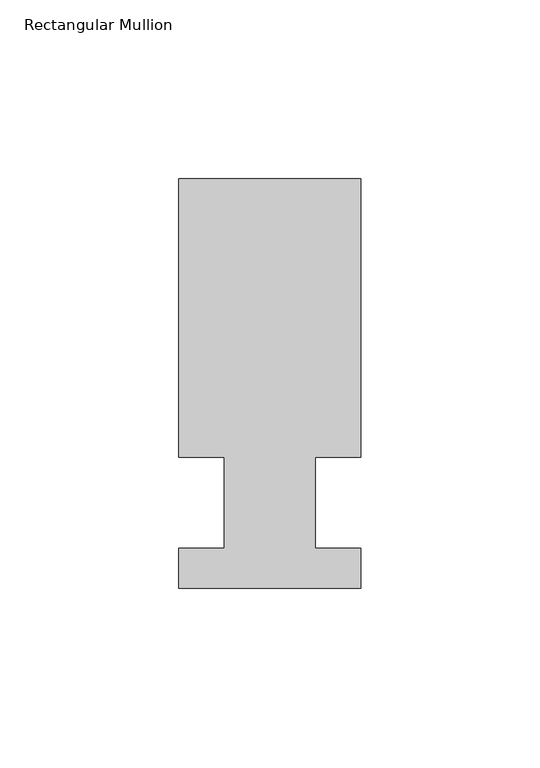
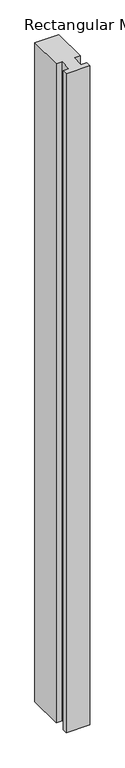
"""IFC4 building model written with IfcOpenShell, lengths in millimetres: member geometry, Rectangular Mullion."""

from ifc_helpers import new_model, si_unit, frame, origin, place, context, project, spatial, polyline, outline, extrude, source, transform, mapped, element, save


def rectangular_mullion_2fa33fcc(model_context):
    return source(origin(), model_context, "Body", "SweptSolid", [
        extrude(outline(polyline([(29.7344027, 90.4875), (29.7344027, 12.7), (17.0326322, 12.7), (17.0326322, -12.7), (29.7344027, -12.7), (29.7344027, -23.8125), (-21.0655973, -23.8125), (-21.0655973, -12.7), (-8.3655973, -12.7), (-8.3655973, 12.7), (-21.0655973, 12.7), (-21.0655973, 90.4875), (29.7344027, 90.4875)])), frame((0.0, 0.0, -1478.28), z_axis=(0.0, 0.0, 1.0), x_axis=(1.0, 0.0, 0.0)), (0.0, 0.0, 1.0), 1478.28),
    ])


if __name__ == "__main__":
    model = new_model("IFC4")
    model_context = context("Model", 3, world=origin())
    ifc_project = project(units=[si_unit("LENGTHUNIT", "METRE", prefix="MILLI")], contexts=[model_context])
    site = spatial("IfcSite", under=ifc_project)
    building = spatial("IfcBuilding", under=site)
    placement = place(None, origin())
    rectangular_mullion_shape = rectangular_mullion_2fa33fcc(model_context)
    element("IfcMember", 1, ObjectType="Rectangular Mullion", at=placement, inside=building, context=model_context, shape_type="MappedRepresentation", body=[
        mapped(rectangular_mullion_shape, transform((0.0, 0.0, 0.0), x_axis=(1.0, 0.0, 0.0), y_axis=(0.0, 1.0, 0.0), z_axis=(0.0, 0.0, 1.0))),
    ])
    save(model, "model.ifc")
